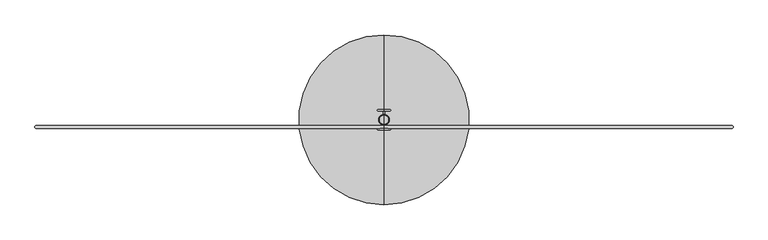
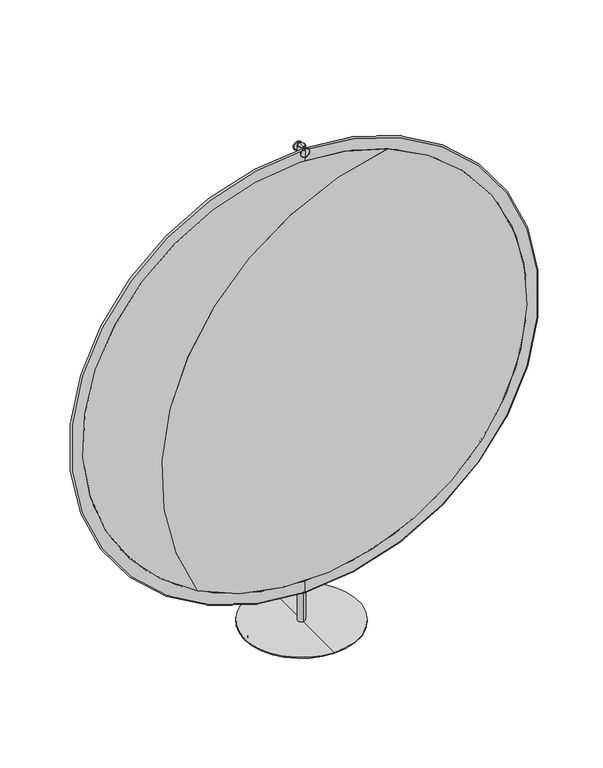
"""IFC4 building model written with IfcOpenShell, lengths in millimetres: furniture geometry."""

import ifcopenshell
import ifcopenshell.guid

model = None  # the IFC model being written
_history = None  # IfcOwnerHistory: only IFC2X3 demands one
_inside = {}  # id of a spatial element -> (the spatial element, [elements in it])
_under = {}  # id of a project, library or spatial element -> (it, [spatial elements below it])
_declared = {}  # id of a project -> (the project, [libraries it declares])
_typed = {}  # id of a type object -> (the type object, [elements of that type])
_made_of = {}  # id of a material, layer set ... -> (it, [elements and type objects made of it])


def new_model(schema):
    """Start an empty IFC model of exactly this schema.

    Asked for "IFC4X3", IfcOpenShell would pick the latest addendum, in which some entities
    have other attributes; the version numbers below select the first issue.
    IFC2X3 requires an IfcOwnerHistory on every rooted entity: one is made here for all.
    """
    global model, _history
    if schema == "IFC4X3":
        model = ifcopenshell.file(schema_version=(4, 3, 0, 0))
    else:
        model = ifcopenshell.file(schema=schema)
    _inside.clear()
    _under.clear()
    _declared.clear()
    _typed.clear()
    _made_of.clear()
    _history = None
    if model.schema == "IFC2X3":
        org = make("IfcOrganization", Name="unknown")
        user = make(
            "IfcPersonAndOrganization",
            ThePerson=make("IfcPerson", FamilyName="unknown"),
            TheOrganization=org,
        )
        app = make(
            "IfcApplication",
            ApplicationDeveloper=org,
            Version="unknown",
            ApplicationFullName="unknown",
            ApplicationIdentifier="unknown",
        )
        _history = make(
            "IfcOwnerHistory",
            OwningUser=user,
            OwningApplication=app,
            ChangeAction="ADDED",
            CreationDate=0,
        )
    return model


def make(cls, **values):
    """One entity of the class cls with the attributes given. An attribute that is None is left unset."""
    return model.create_entity(
        cls, **{name: value for name, value in values.items() if value is not None}
    )


def rooted(cls, **values):
    """An entity with a GlobalId (a new one), such as an element, a storey or a relation."""
    return make(cls, GlobalId=ifcopenshell.guid.new(), OwnerHistory=_history, **values)


def si_unit(unit_type, name, prefix=None):
    """IfcSIUnit, for example si_unit("LENGTHUNIT", "METRE", prefix="MILLI")."""
    return make("IfcSIUnit", UnitType=unit_type, Prefix=prefix, Name=name)


def assignment(units):
    """IfcUnitAssignment: the units of a project."""
    return None if units is None else make("IfcUnitAssignment", Units=units)


def point(xyz):
    """IfcCartesianPoint."""
    return None if xyz is None else make("IfcCartesianPoint", Coordinates=xyz)


def direction(xyz):
    """IfcDirection."""
    return None if xyz is None else make("IfcDirection", DirectionRatios=xyz)


def frame(location, z_axis=None, x_axis=None):
    """IfcAxis2Placement3D, a coordinate frame: its origin and axes. An axis left out is left unset."""
    return make(
        "IfcAxis2Placement3D",
        Location=point(location),
        Axis=direction(z_axis),
        RefDirection=direction(x_axis),
    )


def frame_2d(location, x_axis=None):
    """IfcAxis2Placement2D, a coordinate frame in the plane: its origin and x axis."""
    return make(
        "IfcAxis2Placement2D", Location=point(location), RefDirection=direction(x_axis)
    )


def origin():
    """The frame at (0, 0, 0) with its axes left unset."""
    return frame((0.0, 0.0, 0.0))


def origin_with_axes():
    """The frame at (0, 0, 0) with the z axis (0, 0, 1) and the x axis (1, 0, 0) written out."""
    return frame((0.0, 0.0, 0.0), z_axis=(0.0, 0.0, 1.0), x_axis=(1.0, 0.0, 0.0))


def place(relative_to, where):
    """IfcLocalPlacement: puts the frame where relative to a parent placement (None: the world)."""
    return make(
        "IfcLocalPlacement", PlacementRelTo=relative_to, RelativePlacement=where
    )


def context(
    kind, dimensions, precision=None, world=None, true_north=None, identifier=None
):
    """IfcGeometricRepresentationContext, for example the 3D "Model" context."""
    return make(
        "IfcGeometricRepresentationContext",
        ContextIdentifier=identifier,
        ContextType=kind,
        CoordinateSpaceDimension=dimensions,
        Precision=precision,
        WorldCoordinateSystem=world,
        TrueNorth=true_north,
    )


def project(units=None, contexts=None):
    """IfcProject with its units and contexts."""
    return rooted(
        "IfcProject",
        Name="project",
        RepresentationContexts=contexts,
        UnitsInContext=assignment(units),
    )


def spatial(cls, under=None, at=None, **own):
    """A site, building, storey or space (cls), placed at a placement, below another one or the project."""
    s = rooted(cls, ObjectPlacement=at, **own)
    if under is not None:
        _under.setdefault(under.id(), (under, []))[1].append(s)
    return s


def polyline(points):
    """IfcPolyline through the points."""
    return make("IfcPolyline", Points=[point(p) for p in points])


def circle_curve(where, radius):
    """IfcCircle in the frame where."""
    return make("IfcCircle", Position=where, Radius=radius)


def ellipse_curve(where, semi_axis1, semi_axis2):
    """IfcEllipse in the frame where."""
    return make(
        "IfcEllipse", Position=where, SemiAxis1=semi_axis1, SemiAxis2=semi_axis2
    )


def trimmed(basis, trim1, trim2, sense, master):
    """IfcTrimmedCurve: the piece of a basis curve between two trims."""
    return make(
        "IfcTrimmedCurve",
        BasisCurve=basis,
        Trim1=trim1,
        Trim2=trim2,
        SenseAgreement=sense,
        MasterRepresentation=master,
    )


def segment(curve, same_sense, transition):
    """IfcCompositeCurveSegment."""
    return make(
        "IfcCompositeCurveSegment",
        Transition=transition,
        SameSense=same_sense,
        ParentCurve=curve,
    )


def composite_curve(segments, self_intersect=None):
    """IfcCompositeCurve: segments joined end to end."""
    return make("IfcCompositeCurve", Segments=segments, SelfIntersect=self_intersect)


def outline(outer, holes=None, kind="AREA"):
    """IfcArbitraryClosedProfileDef: a profile drawn as a closed curve; with holes, ...WithVoids."""
    if holes is None:
        return make("IfcArbitraryClosedProfileDef", ProfileType=kind, OuterCurve=outer)
    return make(
        "IfcArbitraryProfileDefWithVoids",
        ProfileType=kind,
        OuterCurve=outer,
        InnerCurves=holes,
    )


def extrude(swept, where, along, depth):
    """IfcExtrudedAreaSolid: the profile swept, set in the frame where, extruded along a direction by depth."""
    return make(
        "IfcExtrudedAreaSolid",
        SweptArea=swept,
        Position=where,
        ExtrudedDirection=direction(along),
        Depth=depth,
    )


def shape(context_of_items, identifier, shape_type, items):
    """IfcShapeRepresentation: the items that make up one representation, for example the "Body"."""
    return make(
        "IfcShapeRepresentation",
        ContextOfItems=context_of_items,
        RepresentationIdentifier=identifier,
        RepresentationType=shape_type,
        Items=items,
    )


def source(mapping_origin, context_of_items, identifier, shape_type, items):
    """IfcRepresentationMap: a shape defined once, which mapped items show again and again."""
    return make(
        "IfcRepresentationMap",
        MappingOrigin=mapping_origin,
        MappedRepresentation=shape(context_of_items, identifier, shape_type, items),
    )


def transform(
    local_origin,
    x_axis=None,
    y_axis=None,
    z_axis=None,
    scale=None,
    scale2=None,
    scale3=None,
    uniform=True,
):
    """IfcCartesianTransformationOperator3D, or its non-uniform kind. x_axis, y_axis, z_axis: its Axis1, 2, 3."""
    if uniform:
        return make(
            "IfcCartesianTransformationOperator3D",
            Axis1=direction(x_axis),
            Axis2=direction(y_axis),
            LocalOrigin=point(local_origin),
            Scale=scale,
            Axis3=direction(z_axis),
        )
    return make(
        "IfcCartesianTransformationOperator3DnonUniform",
        Axis1=direction(x_axis),
        Axis2=direction(y_axis),
        LocalOrigin=point(local_origin),
        Scale=scale,
        Axis3=direction(z_axis),
        Scale2=scale2,
        Scale3=scale3,
    )


def mapped(mapping_source, mapping_target):
    """IfcMappedItem: shows the shape of a source again, moved by a transform."""
    return make(
        "IfcMappedItem", MappingSource=mapping_source, MappingTarget=mapping_target
    )


def made_of(thing, what):
    """Note that an element or type object is made of a material, layer set ...; save() writes the relation."""
    if what is not None:
        _made_of.setdefault(what.id(), (what, []))[1].append(thing)
    return thing


def element(
    cls,
    number,
    at=None,
    inside=None,
    cuts=None,
    type_object=None,
    material=None,
    context=None,
    identifier="Body",
    shape_type=None,
    held_by="IfcProductDefinitionShape",
    body=None,
    shapes=None,
    **own,
):
    """One element of the class cls, such as IfcWall. Its Tag is "e" and its number.

    at: its placement. inside: the storey or other place that contains it. cuts: it is an
    opening in that element (IfcRelVoidsElement). A single representation is given by context,
    identifier, shape_type and body (its items); several are given by shapes. held_by: the class
    of the entity that holds the representations. save() writes the other relations.
    """
    e = rooted(cls, Tag="e%d" % number, ObjectPlacement=at, **own)
    if body is not None:
        shapes = [shape(context, identifier, shape_type, body)]
    if shapes is not None:
        e.Representation = make(held_by, Representations=shapes)
    if inside is not None:
        _inside.setdefault(inside.id(), (inside, []))[1].append(e)
    if cuts is not None:
        rooted(
            "IfcRelVoidsElement", RelatingBuildingElement=cuts, RelatedOpeningElement=e
        )
    if type_object is not None:
        _typed.setdefault(type_object.id(), (type_object, []))[1].append(e)
    return made_of(e, material)


def aggregate(whole, parts):
    """IfcRelAggregates: a whole, such as a stair, and the parts it consists of."""
    return rooted("IfcRelAggregates", RelatingObject=whole, RelatedObjects=parts)


def save(model, path):
    """Write the relations noted so far, then the file.

    IfcRelAggregates (storeys below a building ...), IfcRelContainedInSpatialStructure (elements
    in a storey), IfcRelDefinesByType, IfcRelAssociatesMaterial and IfcRelDeclares: one each for
    every whole, place, type object, material and project.
    """
    for whole, parts in _under.values():
        aggregate(whole, parts)
    for where, things in _inside.values():
        rooted(
            "IfcRelContainedInSpatialStructure",
            RelatedElements=things,
            RelatingStructure=where,
        )
    for kind, things in _typed.values():
        rooted("IfcRelDefinesByType", RelatedObjects=things, RelatingType=kind)
    for what, things in _made_of.values():
        rooted("IfcRelAssociatesMaterial", RelatedObjects=things, RelatingMaterial=what)
    for by, libraries in _declared.values():
        rooted("IfcRelDeclares", RelatingContext=by, RelatedDefinitions=libraries)
    model.write(path)


def plane_surface(at):
    """IfcPlane: the flat surface through the origin of the frame at, square to its z axis."""
    return make("IfcPlane", Position=at)


def cylinder_surface(at, radius):
    """IfcCylindricalSurface: all points at the distance radius from the z axis of the frame at."""
    return make("IfcCylindricalSurface", Position=at, Radius=radius)


def revolved_surface(curve, axis_point, axis_direction):
    """IfcSurfaceOfRevolution: the curve turned about the line through axis_point along axis_direction."""
    return make(
        "IfcSurfaceOfRevolution",
        SweptCurve=make("IfcArbitraryOpenProfileDef", ProfileType="CURVE", Curve=curve),
        AxisPosition=make("IfcAxis1Placement", Location=point(axis_point), Axis=direction(axis_direction)),
    )


def advanced_brep(points, edges, surfaces, faces):
    """IfcAdvancedBrep: a solid bounded by faces that lie on surfaces and meet in shared edges.

    An edge is (start, end): straight between two places in points (the first is 0);
    or (start, end, curve); or (start, end, curve, False) where it runs against its curve.
    A face is (place in surfaces, loops), or (place, loops, False) where it looks against
    its surface's normal. A loop lists edges by number (the first is 1), with a minus sign
    where the edge is run from its end to its start. The first loop is the outer one.
    """
    corners = [point(p) for p in points]
    vertices = [make("IfcVertexPoint", VertexGeometry=c) for c in corners]
    made = []
    for start, end, *more in edges:
        made.append(
            make(
                "IfcEdgeCurve",
                EdgeStart=vertices[start],
                EdgeEnd=vertices[end],
                EdgeGeometry=more[0] if more else make("IfcPolyline", Points=[corners[start], corners[end]]),
                SameSense=more[1] if len(more) > 1 else True,
            )
        )
    hull = []
    for where, loops, *sense in faces:
        bounds = []
        for j, loop in enumerate(loops):
            ring = [make("IfcOrientedEdge", EdgeElement=made[abs(k) - 1], Orientation=k > 0) for k in loop]
            bounds.append(
                make(
                    "IfcFaceOuterBound" if j == 0 else "IfcFaceBound",
                    Bound=make("IfcEdgeLoop", EdgeList=ring),
                    Orientation=True,
                )
            )
        hull.append(make("IfcAdvancedFace", Bounds=bounds, FaceSurface=surfaces[where], SameSense=sense[0] if sense else True))
    return make("IfcAdvancedBrep", Outer=make("IfcClosedShell", CfsFaces=hull))


def furniture_abf73783(model_context):
    return source(origin(), model_context, "Body", "SolidModel", [
        extrude(outline(composite_curve([segment(trimmed(circle_curve(frame_2d((0.0, 162.9503786)), 25.4), [point((-25.4, 162.9503786))], [point((25.4, 162.9503786))], False, "CARTESIAN"), True, "CONTINUOUS"), segment(trimmed(circle_curve(frame_2d((0.0, 162.9503786)), 25.4), [point((25.4, 162.9503786))], [point((-25.4, 162.9503786))], False, "CARTESIAN"), True, "CONTINUOUS")], self_intersect=False)), origin_with_axes(), (0.0, 0.0, 1.0), 8.8360062),
        extrude(outline(composite_curve([segment(trimmed(circle_curve(frame_2d((162.9503786, 0.0)), 25.4), [point((137.5503786, 0.0))], [point((188.3503786, 0.0))], False, "CARTESIAN"), True, "CONTINUOUS"), segment(trimmed(circle_curve(frame_2d((162.9503786, 0.0)), 25.4), [point((188.3503786, 0.0))], [point((137.5503786, 0.0))], False, "CARTESIAN"), True, "CONTINUOUS")], self_intersect=False)), origin_with_axes(), (0.0, 0.0, 1.0), 8.8360062),
        extrude(outline(composite_curve([segment(trimmed(circle_curve(frame_2d((0.0, -162.9503786)), 25.4), [point((-25.4, -162.9503786))], [point((25.4, -162.9503786))], False, "CARTESIAN"), True, "CONTINUOUS"), segment(trimmed(circle_curve(frame_2d((0.0, -162.9503786)), 25.4), [point((25.4, -162.9503786))], [point((-25.4, -162.9503786))], False, "CARTESIAN"), True, "CONTINUOUS")], self_intersect=False)), origin_with_axes(), (0.0, 0.0, 1.0), 8.8360062),
        extrude(outline(composite_curve([segment(trimmed(circle_curve(frame_2d((-162.9503786, 0.0)), 25.4), [point((-188.3503786, 0.0))], [point((-137.5503786, 0.0))], False, "CARTESIAN"), True, "CONTINUOUS"), segment(trimmed(circle_curve(frame_2d((-162.9503786, 0.0)), 25.4), [point((-137.5503786, 0.0))], [point((-188.3503786, 0.0))], False, "CARTESIAN"), True, "CONTINUOUS")], self_intersect=False)), origin_with_axes(), (0.0, 0.0, 1.0), 8.8360062),
        extrude(outline(composite_curve([segment(trimmed(circle_curve(frame_2d((963.0377754, 0.0)), 792.861), [point((1698.9438509, 295.0776396))], [point((268.8713909, -383.0947611))], False, "CARTESIAN"), True, "CONTINUOUS"), segment(trimmed(circle_curve(frame_2d((748.8967489, 451.5624408)), 962.8483728), [point((268.8713909, -383.0947611))], [point((1698.9438509, 295.0776396))], True, "CARTESIAN"), True, "CONTINUOUS")], self_intersect=False)), frame((0.0, -20.828, 0.0), z_axis=(0.0, 1.0, 0.0), x_axis=(0.0, 0.0, 1.0)), (0.0, 0.0, 1.0), 7.62),
        extrude(outline(composite_curve([segment(trimmed(circle_curve(frame_2d((748.8967489, 451.5624408)), 962.8483728), [point((1698.9438509, 295.0776396))], [point((268.8713909, -383.0947611))], False, "CARTESIAN"), True, "CONTINUOUS"), segment(trimmed(circle_curve(frame_2d((963.0377754, 0.0)), 792.861), [point((268.8713909, -383.0947611))], [point((1698.9438509, 295.0776396))], False, "CARTESIAN"), True, "CONTINUOUS")], self_intersect=False)), frame((0.0, -20.828, 0.0), z_axis=(0.0, 1.0, 0.0), x_axis=(0.0, 0.0, 1.0)), (0.0, 0.0, 1.0), 7.62),
        advanced_brep(
        [(0.0, -20.828, 128.6477754), (0.0, -20.828, 1797.4277754), (0.0, -13.208, 1797.4277754), (0.0, -13.208, 128.6477754), (0.0, -20.828, 170.1767754), (0.0, -20.828, 1755.8987754), (0.0, -13.208, 170.1767754), (0.0, -13.208, 1755.8987754)],
        [
            (0, 1, circle_curve(frame((0.0, -20.828, 963.0377754), z_axis=(0.0, 1.0, 0.0), x_axis=(0.0, 0.0, 1.0)), 834.39)),
            (1, 2, circle_curve(frame((0.0, -17.018, 1797.4277754), z_axis=(-1.0, 0.0, 0.0), x_axis=(0.0, 1.0, 0.0)), 3.81)),
            (2, 3, circle_curve(frame((0.0, -13.208, 963.0377754), z_axis=(0.0, -1.0, 0.0), x_axis=(0.0, 0.0, 1.0)), 834.39)),
            (3, 0, circle_curve(frame((0.0, -17.018, 128.6477754), z_axis=(-1.0, 0.0, 0.0), x_axis=(0.0, 1.0, 0.0)), 3.81)),
            (1, 0, circle_curve(frame((0.0, -20.828, 963.0377754), z_axis=(0.0, 1.0, 0.0), x_axis=(0.0, 0.0, 1.0)), 834.39)),
            (3, 2, circle_curve(frame((0.0, -13.208, 963.0377754), z_axis=(0.0, -1.0, 0.0), x_axis=(0.0, 0.0, 1.0)), 834.39)),
            (4, 5, circle_curve(frame((0.0, -20.828, 963.0377754), z_axis=(0.0, 1.0, 0.0), x_axis=(0.0, 0.0, 1.0)), 792.861)),
            (5, 1),
            (0, 4),
            (5, 4, circle_curve(frame((0.0, -20.828, 963.0377754), z_axis=(0.0, 1.0, 0.0), x_axis=(0.0, 0.0, 1.0)), 792.861)),
            (6, 7, circle_curve(frame((0.0, -13.208, 963.0377754), z_axis=(0.0, 1.0, 0.0), x_axis=(0.0, 0.0, 1.0)), 792.861)),
            (7, 5),
            (4, 6),
            (7, 6, circle_curve(frame((0.0, -13.208, 963.0377754), z_axis=(0.0, 1.0, 0.0), x_axis=(0.0, 0.0, 1.0)), 792.861)),
            (2, 7),
            (6, 3),
        ],
        [
            revolved_surface(trimmed(ellipse_curve(frame((0.0, -17.018, 1797.4277754), z_axis=(1.0, 0.0, 0.0), x_axis=(0.0, 1.0, 0.0)), 3.81, 3.81), [point((0.0, -13.208, 1797.4277754))], [point((0.0, -20.828, 1797.4277754))], True, "CARTESIAN"), (0.0, 101.6, 963.0377754), (0.0, -1.0, 0.0)),
            plane_surface(frame((0.0, -20.828, 963.0377754), z_axis=(0.0, -1.0, 0.0), x_axis=(0.0, 0.0, 1.0))),
            revolved_surface(polyline([(0.0, -20.828000000000003, 1755.8987754), (0.0, -13.207999999999998, 1755.8987754)]), (0.0, 101.6, 963.0377754), (0.0, -1.0, 0.0)),
            plane_surface(frame((0.0, -13.208, 963.0377754), z_axis=(0.0, 1.0, 0.0), x_axis=(0.0, 0.0, 1.0))),
        ],
        [
            (0, [[1, 2, 3, 4]]),
            (0, [[5, -4, 6, -2]]),
            (1, [[7, 8, -1, 9]]),
            (1, [[10, -9, -5, -8]]),
            (2, [[11, 12, -7, 13]]),
            (2, [[14, -13, -10, -12]]),
            (3, [[-3, 15, -11, 16]]),
            (3, [[-6, -16, -14, -15]]),
        ],
    ),
        advanced_brep(
        [(1.651, 21.082, 1797.4277754), (1.651, 12.954, 1797.4277754), (1.651, -12.954, 1797.4277754), (1.651, -21.082, 1797.4277754), (1.651, -21.336, 1797.4277754), (1.651, -21.336, 1777.3617754), (1.651, 21.336, 1777.3617754), (1.651, 21.336, 1797.4277754), (-1.651, -21.082, 1797.4277754), (-1.651, -12.954, 1797.4277754), (-1.651, 12.954, 1797.4277754), (-1.651, 21.082, 1797.4277754), (-1.651, 21.336, 1797.4277754), (-1.651, 21.336, 1777.3617754), (-1.651, -21.336, 1777.3617754), (-1.651, -21.336, 1797.4277754), (0.0, -21.336, 1777.3617754), (0.0, 21.336, 1777.3617754), (0.0, 21.336, 1797.4277754), (0.0, -21.336, 1797.4277754), (0.0, 21.336, 1772.7865508), (0.0, 21.336, 1802.003), (0.0, 24.13, 1802.003), (0.0, 24.13, 1772.7865508), (0.0, 24.13, 1787.3947754), (0.0, -24.13, 1787.3947754), (0.0, -24.13, 1802.003), (0.0, -24.13, 1772.7865508), (0.0, -21.336, 1772.7865508), (0.0, -21.336, 1802.003)],
        [
            (0, 1, circle_curve(frame((1.651, 17.018, 1797.4277754), z_axis=(-1.0, 0.0, 0.0), x_axis=(0.0, 1.0, 0.0)), 4.064)),
            (1, 2),
            (2, 3, circle_curve(frame((1.651, -17.018, 1797.4277754), z_axis=(-1.0, 0.0, 0.0), x_axis=(0.0, 1.0, 0.0)), 4.064)),
            (3, 4),
            (4, 5),
            (5, 6),
            (6, 7),
            (7, 0),
            (8, 9, circle_curve(frame((-1.651, -17.018, 1797.4277754), z_axis=(1.0, 0.0, 0.0), x_axis=(0.0, 1.0, 0.0)), 4.064)),
            (9, 10),
            (10, 11, circle_curve(frame((-1.651, 17.018, 1797.4277754), z_axis=(1.0, 0.0, 0.0), x_axis=(0.0, 1.0, 0.0)), 4.064)),
            (11, 12),
            (12, 13),
            (13, 14),
            (14, 15),
            (15, 8),
            (5, 16),
            (16, 14),
            (13, 17),
            (17, 6),
            (11, 0),
            (7, 18),
            (18, 12),
            (10, 1),
            (9, 2),
            (3, 8),
            (15, 19),
            (19, 4),
            (20, 21, circle_curve(frame((0.0, 21.336, 1787.3947754), z_axis=(0.0, 1.0, 0.0), x_axis=(0.0, 0.0, 1.0)), 14.6082246)),
            (21, 22, circle_curve(frame((0.0, 22.733, 1802.003), z_axis=(-1.0, 0.0, 0.0), x_axis=(0.0, 1.0, 0.0)), 1.397)),
            (22, 23, circle_curve(frame((0.0, 24.13, 1787.3947754), z_axis=(0.0, -1.0, 0.0), x_axis=(0.0, 0.0, 1.0)), 14.6082246)),
            (23, 20, circle_curve(frame((0.0, 22.733, 1772.7865508), z_axis=(-1.0, 0.0, 0.0), x_axis=(0.0, 1.0, 0.0)), 1.397)),
            (21, 20, circle_curve(frame((0.0, 21.336, 1787.3947754), z_axis=(0.0, 1.0, 0.0), x_axis=(0.0, 0.0, 1.0)), 14.6082246)),
            (23, 22, circle_curve(frame((0.0, 24.13, 1787.3947754), z_axis=(0.0, -1.0, 0.0), x_axis=(0.0, 0.0, 1.0)), 14.6082246)),
            (20, 17),
            (18, 21),
            (22, 24),
            (24, 23),
            (25, 26),
            (26, 27, circle_curve(frame((0.0, -24.13, 1787.3947754), z_axis=(0.0, -1.0, 0.0), x_axis=(0.0, 0.0, 1.0)), 14.6082246)),
            (27, 25),
            (27, 26, circle_curve(frame((0.0, -24.13, 1787.3947754), z_axis=(0.0, -1.0, 0.0), x_axis=(0.0, 0.0, 1.0)), 14.6082246)),
            (28, 29, circle_curve(frame((0.0, -21.336, 1787.3947754), z_axis=(0.0, 1.0, 0.0), x_axis=(0.0, 0.0, 1.0)), 14.6082246)),
            (29, 19),
            (16, 28),
            (29, 28, circle_curve(frame((0.0, -21.336, 1787.3947754), z_axis=(0.0, 1.0, 0.0), x_axis=(0.0, 0.0, 1.0)), 14.6082246)),
            (26, 29, circle_curve(frame((0.0, -22.733, 1802.003), z_axis=(-1.0, 0.0, 0.0), x_axis=(0.0, 1.0, 0.0)), 1.397)),
            (28, 27, circle_curve(frame((0.0, -22.733, 1772.7865508), z_axis=(-1.0, 0.0, 0.0), x_axis=(0.0, 1.0, 0.0)), 1.397)),
        ],
        [
            plane_surface(frame((1.651, 22.733, 1797.4277754), z_axis=(1.0, 0.0, 0.0), x_axis=(0.0, -1.0, 0.0))),
            plane_surface(frame((-1.651, 22.733, 1797.4277754), z_axis=(-1.0, 0.0, 0.0), x_axis=(0.0, 1.0, 0.0))),
            plane_surface(frame((1.651, -22.733, 1777.3617754), z_axis=(0.0, 0.0, -1.0), x_axis=(-1.0, 0.0, 0.0))),
            plane_surface(frame((1.651, 22.733, 1797.4277754), z_axis=(0.0, 0.0, 1.0), x_axis=(-1.0, 0.0, 0.0))),
            revolved_surface(polyline([(-1.651, 21.082, 1797.4277754), (1.651, 21.082, 1797.4277754)]), (-1.651, 17.018, 1797.4277754), (-1.0, 0.0, 0.0)),
            plane_surface(frame((1.651, 12.954, 1797.4277754), z_axis=(0.0, 0.0, 1.0), x_axis=(-1.0, 0.0, 0.0))),
            plane_surface(frame((1.651, -21.082, 1797.4277754), z_axis=(0.0, -1.2789769243682097e-11, 1.0), x_axis=(-1.0, 0.0, 0.0))),
            revolved_surface(trimmed(ellipse_curve(frame((0.0, 22.733, 1802.003), z_axis=(1.0, 0.0, 0.0), x_axis=(0.0, 1.0, 0.0)), 1.397, 1.397), [point((0.0, 24.13, 1802.003))], [point((0.0, 21.336, 1802.003))], True, "CARTESIAN"), (0.0, 18.1630479, 1787.3947754), (0.0, -1.0, 0.0)),
            plane_surface(frame((0.0, 21.336, 1787.3947754), z_axis=(0.0, -1.0, 0.0), x_axis=(0.0, 0.0, 1.0))),
            plane_surface(frame((0.0, 24.13, 1787.3947754), z_axis=(0.0, 1.0, 0.0), x_axis=(0.0, 0.0, 1.0))),
            plane_surface(frame((0.0, -24.13, 1787.3947754), z_axis=(0.0, -1.0, 0.0), x_axis=(0.0, 0.0, 1.0))),
            plane_surface(frame((0.0, -21.336, 1787.3947754), z_axis=(0.0, 1.0, 0.0), x_axis=(0.0, 0.0, 1.0))),
            revolved_surface(trimmed(ellipse_curve(frame((0.0, -22.733, 1802.003), z_axis=(1.0, 0.0, 0.0), x_axis=(0.0, 1.0, 0.0)), 1.397, 1.397), [point((0.0, -21.336, 1802.003))], [point((0.0, -24.13, 1802.003))], True, "CARTESIAN"), (0.0, 18.1630479, 1787.3947754), (0.0, -1.0, 0.0)),
            revolved_surface(polyline([(-1.651, -12.954, 1797.4277754), (1.651, -12.954, 1797.4277754)]), (-1.651, -17.018, 1797.4277754), (-1.0, 0.0, 0.0)),
        ],
        [
            (0, [[1, 2, 3, 4, 5, 6, 7, 8]]),
            (1, [[9, 10, 11, 12, 13, 14, 15, 16]]),
            (2, [[-6, 17, 18, -14, 19, 20]]),
            (3, [[21, -8, 22, 23, -12]]),
            (4, [[-1, -21, -11, 24]]),
            (5, [[-2, -24, -10, 25]]),
            (6, [[26, -16, 27, 28, -4]]),
            (7, [[29, 30, 31, 32]]),
            (7, [[-30, 33, -32, 34]]),
            (8, [[-29, 35, -19, -13, -23, 36]]),
            (8, [[-33, -36, -22, -7, -20, -35]]),
            (9, [[-31, 37, 38]]),
            (9, [[-34, -38, -37]]),
            (10, [[39, 40, 41]]),
            (10, [[-39, -41, 42]]),
            (11, [[43, 44, -27, -15, -18, 45]]),
            (11, [[46, -45, -17, -5, -28, -44]]),
            (12, [[-40, 47, -43, 48]]),
            (12, [[-42, -48, -46, -47]]),
            (13, [[-3, -25, -9, -26]]),
        ],
    ),
        advanced_brep(
        [(0.0, -203.2, 8.8360062), (0.0, 203.2, 8.8360062), (0.0, 0.0, 8.8360062), (0.0, -203.2, 12.1157909), (0.0, 203.2, 12.1157909), (0.0, -12.7, 12.1157909), (0.0, 12.7, 12.1157909), (0.0, -12.7, 1802.254236), (0.0, 12.7, 1802.254236), (0.0, -11.554236, 1803.4), (0.0, 11.554236, 1803.4), (0.0, 0.0, 1803.4)],
        [
            (0, 1, circle_curve(frame((0.0, 0.0, 8.8360062), z_axis=(0.0, 0.0, -1.0), x_axis=(0.0, 1.0, 0.0)), 203.2)),
            (1, 2),
            (2, 0),
            (1, 0, circle_curve(frame((0.0, 0.0, 8.8360062), z_axis=(0.0, 0.0, -1.0), x_axis=(0.0, 1.0, 0.0)), 203.2)),
            (3, 4, circle_curve(frame((0.0, 0.0, 12.1157909), z_axis=(0.0, 0.0, -1.0), x_axis=(0.0, 1.0, 0.0)), 203.2)),
            (4, 1),
            (0, 3),
            (4, 3, circle_curve(frame((0.0, 0.0, 12.1157909), z_axis=(0.0, 0.0, -1.0), x_axis=(0.0, 1.0, 0.0)), 203.2)),
            (5, 6, circle_curve(frame((0.0, 0.0, 12.1157909), z_axis=(0.0, 0.0, -1.0), x_axis=(0.0, 1.0, 0.0)), 12.7)),
            (6, 4),
            (3, 5),
            (6, 5, circle_curve(frame((0.0, 0.0, 12.1157909), z_axis=(0.0, 0.0, -1.0), x_axis=(0.0, 1.0, 0.0)), 12.7)),
            (7, 8, circle_curve(frame((0.0, 0.0, 1802.254236), z_axis=(0.0, 0.0, -1.0), x_axis=(0.0, 1.0, 0.0)), 12.7)),
            (8, 6),
            (5, 7),
            (8, 7, circle_curve(frame((0.0, 0.0, 1802.254236), z_axis=(0.0, 0.0, -1.0), x_axis=(0.0, 1.0, 0.0)), 12.7)),
            (9, 10, circle_curve(frame((0.0, 0.0, 1803.4), z_axis=(0.0, 0.0, -1.0), x_axis=(0.0, 1.0, 0.0)), 11.554236)),
            (10, 8),
            (7, 9),
            (10, 9, circle_curve(frame((0.0, 0.0, 1803.4), z_axis=(0.0, 0.0, -1.0), x_axis=(0.0, 1.0, 0.0)), 11.554236)),
            (11, 10),
            (9, 11),
        ],
        [
            plane_surface(frame((0.0, 0.0, 8.8360062), z_axis=(0.0, 0.0, -1.0), x_axis=(0.0, 1.0, 0.0))),
            cylinder_surface(frame((0.0, 0.0, 1860.55), z_axis=(0.0, 0.0, 1.0), x_axis=(0.0, 1.0, 0.0)), 203.2),
            plane_surface(frame((0.0, 0.0, 12.1157909), z_axis=(0.0, 0.0, 1.0), x_axis=(0.0, 1.0, 0.0))),
            cylinder_surface(frame((0.0, 0.0, 1860.55), z_axis=(0.0, 0.0, 1.0), x_axis=(0.0, 1.0, 0.0)), 12.7),
            revolved_surface(polyline([(0.0, 12.7, 1802.254236), (0.0, 11.554236, 1803.4)]), (0.0, 0.0, 1860.55), (0.0, 0.0, 1.0)),
            plane_surface(frame((0.0, 0.0, 1803.4), z_axis=(0.0, 0.0, 1.0), x_axis=(0.0, 1.0, 0.0))),
        ],
        [
            (0, [[1, 2, 3]]),
            (0, [[4, -3, -2]]),
            (1, [[5, 6, -1, 7]]),
            (1, [[8, -7, -4, -6]]),
            (2, [[9, 10, -5, 11]]),
            (2, [[12, -11, -8, -10]]),
            (3, [[13, 14, -9, 15]]),
            (3, [[16, -15, -12, -14]]),
            (4, [[17, 18, -13, 19]]),
            (4, [[20, -19, -16, -18]]),
            (5, [[21, -17, 22]]),
            (5, [[-22, -20, -21]]),
        ],
    ),
    ])


if __name__ == "__main__":
    model = new_model("IFC4")
    model_context = context("Model", 3, world=origin())
    ifc_project = project(units=[si_unit("LENGTHUNIT", "METRE", prefix="MILLI")], contexts=[model_context])
    site = spatial("IfcSite", under=ifc_project)
    building = spatial("IfcBuilding", under=site)
    placement = place(None, origin())
    furniture_shape = furniture_abf73783(model_context)
    element("IfcFurniture", 1, at=placement, inside=building, context=model_context, shape_type="MappedRepresentation", body=[
        mapped(furniture_shape, transform((0.0, 0.0, 0.0), x_axis=(1.0, 0.0, 0.0), y_axis=(0.0, 1.0, 0.0), z_axis=(0.0, 0.0, 1.0))),
    ])
    save(model, "model.ifc")
